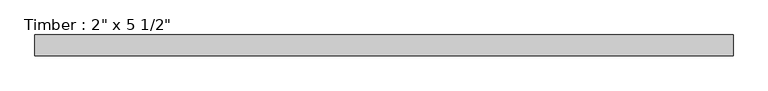
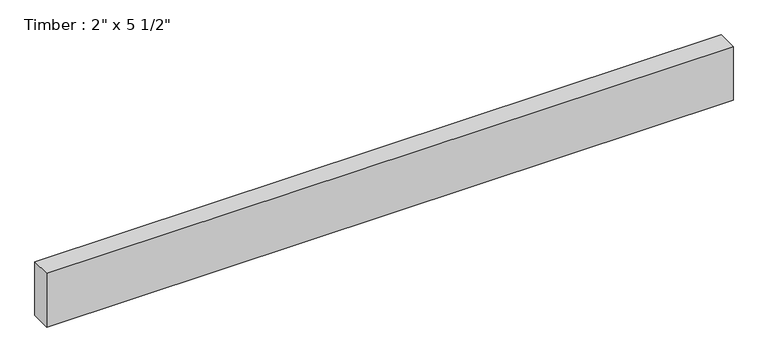
"""IFC4 building model written with IfcOpenShell, lengths in millimetres: beam geometry."""

import ifcopenshell
import ifcopenshell.guid

model = None  # the IFC model being written
_history = None  # IfcOwnerHistory: only IFC2X3 demands one
_inside = {}  # id of a spatial element -> (the spatial element, [elements in it])
_under = {}  # id of a project, library or spatial element -> (it, [spatial elements below it])
_declared = {}  # id of a project -> (the project, [libraries it declares])
_typed = {}  # id of a type object -> (the type object, [elements of that type])
_made_of = {}  # id of a material, layer set ... -> (it, [elements and type objects made of it])


def new_model(schema):
    """Start an empty IFC model of exactly this schema.

    Asked for "IFC4X3", IfcOpenShell would pick the latest addendum, in which some entities
    have other attributes; the version numbers below select the first issue.
    IFC2X3 requires an IfcOwnerHistory on every rooted entity: one is made here for all.
    """
    global model, _history
    if schema == "IFC4X3":
        model = ifcopenshell.file(schema_version=(4, 3, 0, 0))
    else:
        model = ifcopenshell.file(schema=schema)
    _inside.clear()
    _under.clear()
    _declared.clear()
    _typed.clear()
    _made_of.clear()
    _history = None
    if model.schema == "IFC2X3":
        org = make("IfcOrganization", Name="unknown")
        user = make(
            "IfcPersonAndOrganization",
            ThePerson=make("IfcPerson", FamilyName="unknown"),
            TheOrganization=org,
        )
        app = make(
            "IfcApplication",
            ApplicationDeveloper=org,
            Version="unknown",
            ApplicationFullName="unknown",
            ApplicationIdentifier="unknown",
        )
        _history = make(
            "IfcOwnerHistory",
            OwningUser=user,
            OwningApplication=app,
            ChangeAction="ADDED",
            CreationDate=0,
        )
    return model


def make(cls, **values):
    """One entity of the class cls with the attributes given. An attribute that is None is left unset."""
    return model.create_entity(
        cls, **{name: value for name, value in values.items() if value is not None}
    )


def rooted(cls, **values):
    """An entity with a GlobalId (a new one), such as an element, a storey or a relation."""
    return make(cls, GlobalId=ifcopenshell.guid.new(), OwnerHistory=_history, **values)


def si_unit(unit_type, name, prefix=None):
    """IfcSIUnit, for example si_unit("LENGTHUNIT", "METRE", prefix="MILLI")."""
    return make("IfcSIUnit", UnitType=unit_type, Prefix=prefix, Name=name)


def assignment(units):
    """IfcUnitAssignment: the units of a project."""
    return None if units is None else make("IfcUnitAssignment", Units=units)


def point(xyz):
    """IfcCartesianPoint."""
    return None if xyz is None else make("IfcCartesianPoint", Coordinates=xyz)


def direction(xyz):
    """IfcDirection."""
    return None if xyz is None else make("IfcDirection", DirectionRatios=xyz)


def frame(location, z_axis=None, x_axis=None):
    """IfcAxis2Placement3D, a coordinate frame: its origin and axes. An axis left out is left unset."""
    return make(
        "IfcAxis2Placement3D",
        Location=point(location),
        Axis=direction(z_axis),
        RefDirection=direction(x_axis),
    )


def origin():
    """The frame at (0, 0, 0) with its axes left unset."""
    return frame((0.0, 0.0, 0.0))


def place(relative_to, where):
    """IfcLocalPlacement: puts the frame where relative to a parent placement (None: the world)."""
    return make(
        "IfcLocalPlacement", PlacementRelTo=relative_to, RelativePlacement=where
    )


def context(
    kind, dimensions, precision=None, world=None, true_north=None, identifier=None
):
    """IfcGeometricRepresentationContext, for example the 3D "Model" context."""
    return make(
        "IfcGeometricRepresentationContext",
        ContextIdentifier=identifier,
        ContextType=kind,
        CoordinateSpaceDimension=dimensions,
        Precision=precision,
        WorldCoordinateSystem=world,
        TrueNorth=true_north,
    )


def project(units=None, contexts=None):
    """IfcProject with its units and contexts."""
    return rooted(
        "IfcProject",
        Name="project",
        RepresentationContexts=contexts,
        UnitsInContext=assignment(units),
    )


def spatial(cls, under=None, at=None, **own):
    """A site, building, storey or space (cls), placed at a placement, below another one or the project."""
    s = rooted(cls, ObjectPlacement=at, **own)
    if under is not None:
        _under.setdefault(under.id(), (under, []))[1].append(s)
    return s


def polyline(points):
    """IfcPolyline through the points."""
    return make("IfcPolyline", Points=[point(p) for p in points])


def outline(outer, holes=None, kind="AREA"):
    """IfcArbitraryClosedProfileDef: a profile drawn as a closed curve; with holes, ...WithVoids."""
    if holes is None:
        return make("IfcArbitraryClosedProfileDef", ProfileType=kind, OuterCurve=outer)
    return make(
        "IfcArbitraryProfileDefWithVoids",
        ProfileType=kind,
        OuterCurve=outer,
        InnerCurves=holes,
    )


def extrude(swept, where, along, depth):
    """IfcExtrudedAreaSolid: the profile swept, set in the frame where, extruded along a direction by depth."""
    return make(
        "IfcExtrudedAreaSolid",
        SweptArea=swept,
        Position=where,
        ExtrudedDirection=direction(along),
        Depth=depth,
    )


def shape(context_of_items, identifier, shape_type, items):
    """IfcShapeRepresentation: the items that make up one representation, for example the "Body"."""
    return make(
        "IfcShapeRepresentation",
        ContextOfItems=context_of_items,
        RepresentationIdentifier=identifier,
        RepresentationType=shape_type,
        Items=items,
    )


def source(mapping_origin, context_of_items, identifier, shape_type, items):
    """IfcRepresentationMap: a shape defined once, which mapped items show again and again."""
    return make(
        "IfcRepresentationMap",
        MappingOrigin=mapping_origin,
        MappedRepresentation=shape(context_of_items, identifier, shape_type, items),
    )


def transform(
    local_origin,
    x_axis=None,
    y_axis=None,
    z_axis=None,
    scale=None,
    scale2=None,
    scale3=None,
    uniform=True,
):
    """IfcCartesianTransformationOperator3D, or its non-uniform kind. x_axis, y_axis, z_axis: its Axis1, 2, 3."""
    if uniform:
        return make(
            "IfcCartesianTransformationOperator3D",
            Axis1=direction(x_axis),
            Axis2=direction(y_axis),
            LocalOrigin=point(local_origin),
            Scale=scale,
            Axis3=direction(z_axis),
        )
    return make(
        "IfcCartesianTransformationOperator3DnonUniform",
        Axis1=direction(x_axis),
        Axis2=direction(y_axis),
        LocalOrigin=point(local_origin),
        Scale=scale,
        Axis3=direction(z_axis),
        Scale2=scale2,
        Scale3=scale3,
    )


def mapped(mapping_source, mapping_target):
    """IfcMappedItem: shows the shape of a source again, moved by a transform."""
    return make(
        "IfcMappedItem", MappingSource=mapping_source, MappingTarget=mapping_target
    )


def made_of(thing, what):
    """Note that an element or type object is made of a material, layer set ...; save() writes the relation."""
    if what is not None:
        _made_of.setdefault(what.id(), (what, []))[1].append(thing)
    return thing


def element(
    cls,
    number,
    at=None,
    inside=None,
    cuts=None,
    type_object=None,
    material=None,
    context=None,
    identifier="Body",
    shape_type=None,
    held_by="IfcProductDefinitionShape",
    body=None,
    shapes=None,
    **own,
):
    """One element of the class cls, such as IfcWall. Its Tag is "e" and its number.

    at: its placement. inside: the storey or other place that contains it. cuts: it is an
    opening in that element (IfcRelVoidsElement). A single representation is given by context,
    identifier, shape_type and body (its items); several are given by shapes. held_by: the class
    of the entity that holds the representations. save() writes the other relations.
    """
    e = rooted(cls, Tag="e%d" % number, ObjectPlacement=at, **own)
    if body is not None:
        shapes = [shape(context, identifier, shape_type, body)]
    if shapes is not None:
        e.Representation = make(held_by, Representations=shapes)
    if inside is not None:
        _inside.setdefault(inside.id(), (inside, []))[1].append(e)
    if cuts is not None:
        rooted(
            "IfcRelVoidsElement", RelatingBuildingElement=cuts, RelatedOpeningElement=e
        )
    if type_object is not None:
        _typed.setdefault(type_object.id(), (type_object, []))[1].append(e)
    return made_of(e, material)


def aggregate(whole, parts):
    """IfcRelAggregates: a whole, such as a stair, and the parts it consists of."""
    return rooted("IfcRelAggregates", RelatingObject=whole, RelatedObjects=parts)


def save(model, path):
    """Write the relations noted so far, then the file.

    IfcRelAggregates (storeys below a building ...), IfcRelContainedInSpatialStructure (elements
    in a storey), IfcRelDefinesByType, IfcRelAssociatesMaterial and IfcRelDeclares: one each for
    every whole, place, type object, material and project.
    """
    for whole, parts in _under.values():
        aggregate(whole, parts)
    for where, things in _inside.values():
        rooted(
            "IfcRelContainedInSpatialStructure",
            RelatedElements=things,
            RelatingStructure=where,
        )
    for kind, things in _typed.values():
        rooted("IfcRelDefinesByType", RelatedObjects=things, RelatingType=kind)
    for what, things in _made_of.values():
        rooted("IfcRelAssociatesMaterial", RelatedObjects=things, RelatingMaterial=what)
    for by, libraries in _declared.values():
        rooted("IfcRelDeclares", RelatingContext=by, RelatedDefinitions=libraries)
    model.write(path)


def beam_4fa1fc4e(model_context):
    return source(origin(), model_context, "Body", "SweptSolid", [
        extrude(outline(polyline([(847.0588474, 25.4), (847.0588474, -25.4), (-847.0588474, -25.4), (-847.0588474, 25.4), (847.0588474, 25.4)])), frame((0.0, 0.0, -69.85), z_axis=(0.0, 0.0, 1.0), x_axis=(1.0, 0.0, 0.0)), (0.0, 0.0, 1.0), 139.7),
    ])


if __name__ == "__main__":
    model = new_model("IFC4")
    model_context = context("Model", 3, world=origin())
    ifc_project = project(units=[si_unit("LENGTHUNIT", "METRE", prefix="MILLI")], contexts=[model_context])
    site = spatial("IfcSite", under=ifc_project)
    building = spatial("IfcBuilding", under=site)
    placement = place(None, origin())
    beam_shape = beam_4fa1fc4e(model_context)
    element("IfcBeam", 1, ObjectType="Timber : 2\" x 5 1/2\"", at=placement, inside=building, context=model_context, shape_type="MappedRepresentation", body=[
        mapped(beam_shape, transform((0.0, 0.0, 0.0), x_axis=(1.0, 0.0, 0.0), y_axis=(0.0, 1.0, 0.0), z_axis=(0.0, 0.0, 1.0))),
    ])
    save(model, "model.ifc")
